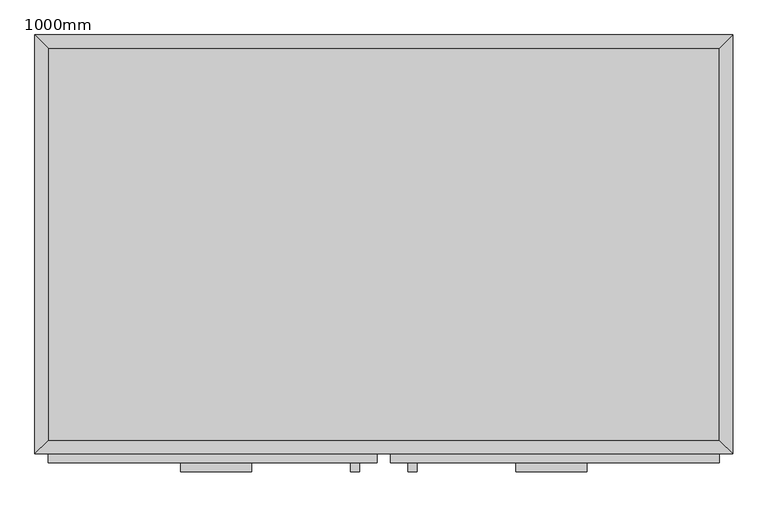
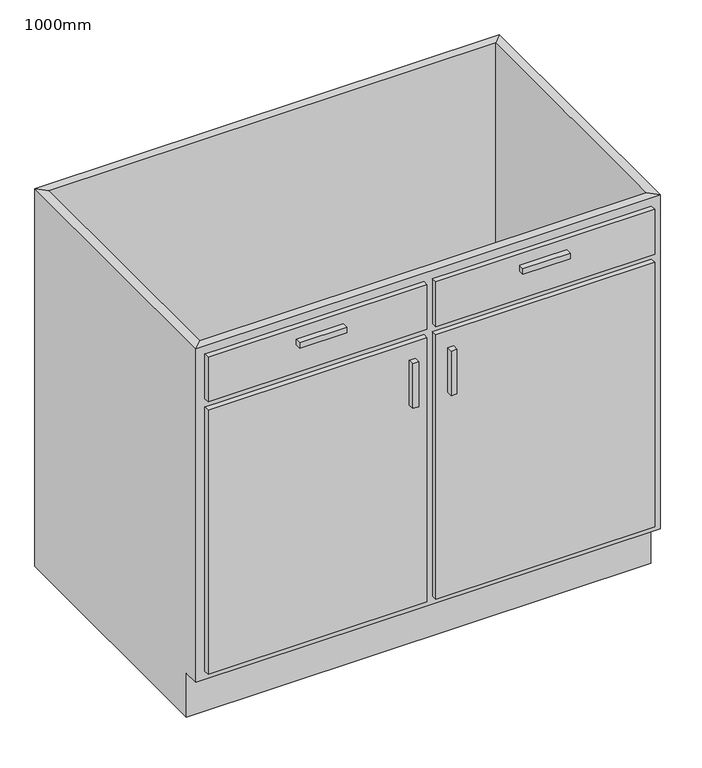
"""IFC4 building model written with IfcOpenShell, lengths in millimetres: furniture geometry, 1000mm."""

from ifc_helpers import new_model, si_unit, frame, origin, place, context, project, spatial, polyline, outline, extrude, faceted_brep, source, transform, mapped, element, save


def furniture_1000mm_952fdc5e(model_context):
    return source(origin(), model_context, "Body", "SolidModel", [
        faceted_brep([(499.6877049, -580.95, 860.0), (499.6877049, -580.95, 100.0), (-462.2122951, -580.95, 100.0), (-462.2122951, -580.95, 860.0), (-481.2622951, -600.0, 860.0), (518.7377049, -600.0, 860.0), (-481.2622951, -600.0, 100.0), (518.7377049, -600.0, 100.0), (-462.2122951, -565.0, 100.0), (-462.2122951, -19.05, 100.0), (-462.2122951, -19.05, 860.0), (-481.2622951, 0.0, 860.0), (-481.2622951, 0.0, 0.0), (-481.2622951, -565.0, 0.0), (-481.2622951, -565.0, 100.0), (499.6877049, -19.05, 100.0), (499.6877049, -19.05, 860.0), (518.7377049, 0.0, 860.0), (518.7377049, 0.0, 0.0), (499.6877049, -565.0, 100.0), (518.7377049, -565.0, 100.0), (518.7377049, -565.0, 0.0)], [[[0, 1, 2, 3]], [[0, 3, 4, 5]], [[5, 4, 6, 7]], [[2, 1, 7, 6]], [[3, 2, 8, 9, 10]], [[4, 3, 10, 11]], [[6, 4, 11, 12, 13, 14]], [[2, 6, 14, 8]], [[10, 9, 15, 16]], [[11, 10, 16, 17]], [[12, 11, 17, 18]], [[1, 0, 16, 15, 19]], [[0, 5, 17, 16]], [[5, 7, 20, 21, 18, 17]], [[7, 1, 19, 20]], [[8, 19, 15, 9]], [[18, 21, 13, 12]], [[13, 21, 20, 19, 8, 14]]]),
        extrude(outline(polyline([(-170.9372951, -625.4), (-272.5372951, -625.4), (-272.5372951, -612.7), (-170.9372951, -612.7), (-170.9372951, -625.4)])), frame((0.0, 0.0, 802.85), z_axis=(0.0, 0.0, 1.0), x_axis=(1.0, 0.0, 0.0)), (0.0, 0.0, 1.0), 12.7),
        extrude(outline(polyline([(310.0127049, -625.4), (208.4127049, -625.4), (208.4127049, -612.7), (310.0127049, -612.7), (310.0127049, -625.4)])), frame((0.0, 0.0, 802.85), z_axis=(0.0, 0.0, 1.0), x_axis=(1.0, 0.0, 0.0)), (0.0, 0.0, 1.0), 12.7),
        extrude(outline(polyline([(-16.1872951, -625.4), (-28.8872951, -625.4), (-28.8872951, -612.7), (-16.1872951, -612.7), (-16.1872951, -625.4)])), frame((0.0, 0.0, 580.6), z_axis=(0.0, 0.0, 1.0), x_axis=(1.0, 0.0, 0.0)), (0.0, 0.0, 1.0), 101.6),
        extrude(outline(polyline([(66.3627049, -625.4), (53.6627049, -625.4), (53.6627049, -612.7), (66.3627049, -612.7), (66.3627049, -625.4)])), frame((0.0, 0.0, 580.6), z_axis=(0.0, 0.0, 1.0), x_axis=(1.0, 0.0, 0.0)), (0.0, 0.0, 1.0), 101.6),
        extrude(outline(polyline([(9.2127049, -612.7), (-462.2122951, -612.7), (-462.2122951, -600.0), (9.2127049, -600.0), (9.2127049, -612.7)])), frame((0.0, 0.0, 739.35), z_axis=(0.0, 0.0, 1.0), x_axis=(1.0, 0.0, 0.0)), (0.0, 0.0, 1.0), 101.6),
        extrude(outline(polyline([(499.6877049, -612.7), (28.2627049, -612.7), (28.2627049, -600.0), (499.6877049, -600.0), (499.6877049, -612.7)])), frame((0.0, 0.0, 739.35), z_axis=(0.0, 0.0, 1.0), x_axis=(1.0, 0.0, 0.0)), (0.0, 0.0, 1.0), 101.6),
        extrude(outline(polyline([(9.2127049, -612.7), (-462.2122951, -612.7), (-462.2122951, -600.0), (9.2127049, -600.0), (9.2127049, -612.7)])), frame((0.0, 0.0, 119.05), z_axis=(0.0, 0.0, 1.0), x_axis=(1.0, 0.0, 0.0)), (0.0, 0.0, 1.0), 601.25),
        extrude(outline(polyline([(499.6877049, -612.7), (28.2627049, -612.7), (28.2627049, -600.0), (499.6877049, -600.0), (499.6877049, -612.7)])), frame((0.0, 0.0, 119.05), z_axis=(0.0, 0.0, 1.0), x_axis=(1.0, 0.0, 0.0)), (0.0, 0.0, 1.0), 601.25),
        extrude(outline(polyline([(499.6877049, -19.05), (499.6877049, -580.95), (-462.2122951, -580.95), (-462.2122951, -19.05), (499.6877049, -19.05)])), frame((0.0, 0.0, 100.0), z_axis=(0.0, 0.0, 1.0), x_axis=(1.0, 0.0, 0.0)), (0.0, 0.0, 1.0), 19.05),
    ])


if __name__ == "__main__":
    model = new_model("IFC4")
    model_context = context("Model", 3, world=origin())
    ifc_project = project(units=[si_unit("LENGTHUNIT", "METRE", prefix="MILLI")], contexts=[model_context])
    site = spatial("IfcSite", under=ifc_project)
    building = spatial("IfcBuilding", under=site)
    placement = place(None, origin())
    furniture_1000mm_shape = furniture_1000mm_952fdc5e(model_context)
    element("IfcFurniture", 1, ObjectType="1000mm", at=placement, inside=building, context=model_context, shape_type="MappedRepresentation", body=[
        mapped(furniture_1000mm_shape, transform((0.0, 0.0, 0.0), x_axis=(1.0, 0.0, 0.0), y_axis=(0.0, 1.0, 0.0), z_axis=(0.0, 0.0, 1.0))),
    ])
    save(model, "model.ifc")
